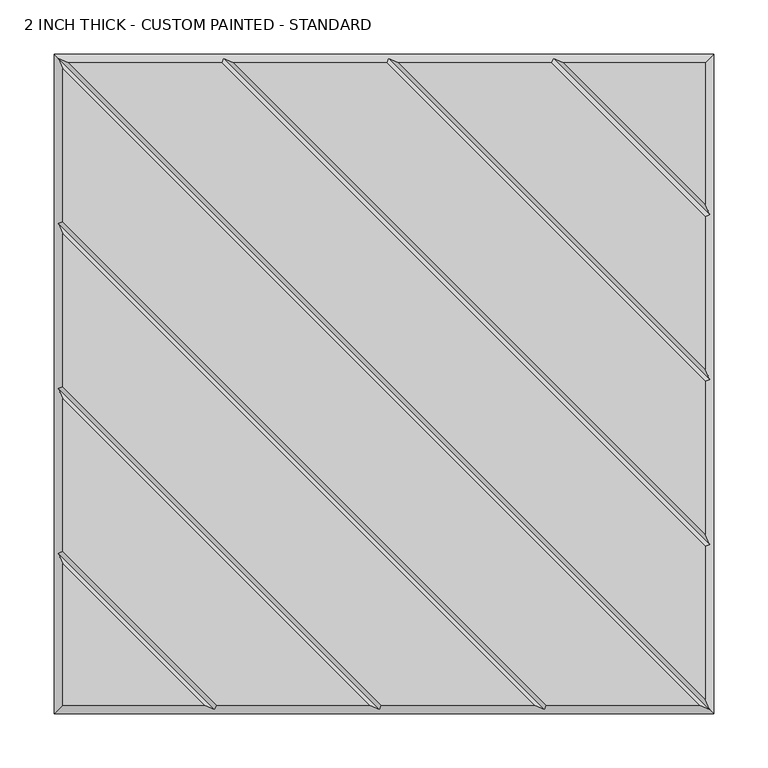
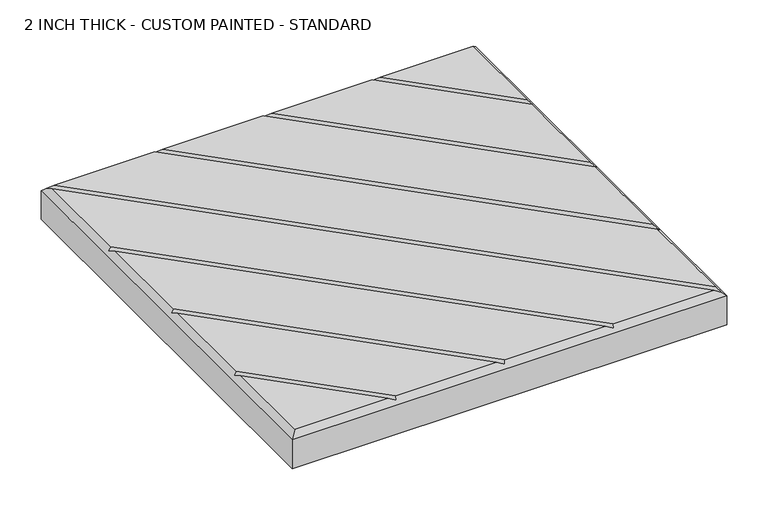
"""IFC4 building model written with IfcOpenShell, lengths in millimetres: proxy geometry, 2 INCH THICK - CUSTOM PAINTED - STANDARD."""

from ifc_helpers import new_model, si_unit, origin, place, context, project, spatial, faceted_brep, source, transform, mapped, element, save


def proxy_2_inch_thick_custom_painted_standard_db84a5a4(model_context):
    return source(origin(), model_context, "Body", "Brep", [
        faceted_brep([(-291.1414386, 296.799, 50.8), (296.799, -291.1414386, 50.8), (296.799, -150.0565868, 50.8), (-150.0565868, 296.799, 50.8), (291.1414386, -296.799, 50.8), (-296.799, 291.1414386, 50.8), (-296.799, 150.0565868, 50.8), (150.0565868, -296.799, 50.8), (138.741464, -296.799, 50.8), (-296.799, 138.741464, 50.8), (-296.799, -2.3434132, 50.8), (-2.3434132, -296.799, 50.8), (-13.658536, -296.799, 50.8), (-296.799, -13.658536, 50.8), (-296.799, -154.7434132, 50.8), (-154.7434132, -296.799, 50.8), (-296.799, -166.058536, 50.8), (-296.799, -296.799, 50.8), (-166.058536, -296.799, 50.8), (-138.741464, 296.799, 50.8), (296.799, -138.741464, 50.8), (296.799, 2.3434132, 50.8), (2.3434132, 296.799, 50.8), (13.658536, 296.799, 50.8), (296.799, 13.658536, 50.8), (296.799, 154.7434132, 50.8), (154.7434132, 296.799, 50.8), (296.799, 296.799, 50.8), (166.058536, 296.799, 50.8), (296.799, 166.058536, 50.8), (-304.8, 304.8, 0.0), (304.8, 304.8, 0.0), (304.8, -304.8, 0.0), (-304.8, -304.8, 0.0), (-304.8, -304.8, 42.799), (-304.8, 304.8, 42.799), (304.8, -304.8, 42.799), (304.8, 304.8, 42.799), (-300.7995, 300.7995, 46.7995), (-148.3995254, 300.7995, 46.7995), (4.0004746, 300.7995, 46.7995), (156.4004746, 300.7995, 46.7995), (-300.7995, -156.4004746, 46.7995), (-300.7995, -4.0004746, 46.7995), (-300.7995, 148.3995254, 46.7995), (300.7995, -300.7995, 46.7995), (148.3995254, -300.7995, 46.7995), (-4.0004746, -300.7995, 46.7995), (-156.4004746, -300.7995, 46.7995), (300.7995, 156.4004746, 46.7995), (300.7995, 4.0004746, 46.7995), (300.7995, -148.3995254, 46.7995)], [[[0, 1, 2, 3]], [[4, 5, 6, 7]], [[8, 9, 10, 11]], [[12, 13, 14, 15]], [[16, 17, 18]], [[19, 20, 21, 22]], [[23, 24, 25, 26]], [[27, 28, 29]], [[30, 31, 32, 33]], [[30, 33, 34, 35]], [[33, 32, 36, 34]], [[32, 31, 37, 36]], [[31, 30, 35, 37]], [[27, 37, 35, 38, 0, 3, 39, 19, 22, 40, 23, 26, 41, 28]], [[34, 17, 16, 42, 14, 13, 43, 10, 9, 44, 6, 5, 38, 35]], [[17, 34, 36, 45, 4, 7, 46, 8, 11, 47, 12, 15, 48, 18]], [[37, 27, 29, 49, 25, 24, 50, 21, 20, 51, 2, 1, 45, 36]], [[38, 45, 1, 0]], [[45, 38, 5, 4]], [[44, 46, 7, 6]], [[46, 44, 9, 8]], [[43, 47, 11, 10]], [[47, 43, 13, 12]], [[42, 48, 15, 14]], [[48, 42, 16, 18]], [[51, 39, 3, 2]], [[39, 51, 20, 19]], [[50, 40, 22, 21]], [[40, 50, 24, 23]], [[49, 41, 26, 25]], [[41, 49, 29, 28]]]),
    ])


if __name__ == "__main__":
    model = new_model("IFC4")
    model_context = context("Model", 3, world=origin())
    ifc_project = project(units=[si_unit("LENGTHUNIT", "METRE", prefix="MILLI")], contexts=[model_context])
    site = spatial("IfcSite", under=ifc_project)
    building = spatial("IfcBuilding", under=site)
    placement = place(None, origin())
    proxy_2_inch_thick_custom_painted_standard_shape = proxy_2_inch_thick_custom_painted_standard_db84a5a4(model_context)
    element("IfcBuildingElementProxy", 1, Name="2 INCH THICK - CUSTOM PAINTED - STANDARD", ObjectType="2 INCH THICK - CUSTOM PAINTED - STANDARD", at=placement, inside=building, context=model_context, shape_type="MappedRepresentation", body=[
        mapped(proxy_2_inch_thick_custom_painted_standard_shape, transform((0.0, 0.0, 0.0), x_axis=(1.0, 0.0, 0.0), y_axis=(0.0, 1.0, 0.0), z_axis=(0.0, 0.0, 1.0))),
    ])
    save(model, "model.ifc")
